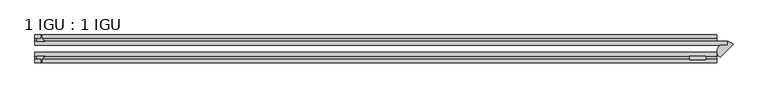
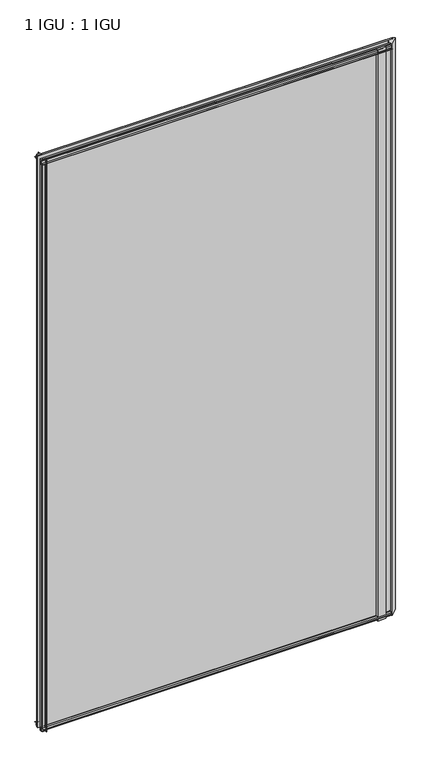
"""IFC4 building model written with IfcOpenShell, lengths in millimetres: plate geometry, 1 IGU : 1 IGU."""

from ifc_helpers import new_model, si_unit, point, frame, frame_2d, origin, place, context, project, spatial, polyline, circle_curve, ellipse_curve, trimmed, segment, composite_curve, outline, extrude, source, transform, mapped, element, save
from ifc_brep_helpers import plane_surface, cylinder_surface, extruded_surface, advanced_brep


def plate_1_igu_1_igu_b81b0c43(model_context):
    return source(origin(), model_context, "Body", "SolidModel", [
        advanced_brep(
        [(579.8824592, -16.9303084, -11.1125), (589.2972654, -21.8097637, -11.1125), (566.6778855, -44.7138124, -11.1125), (569.7893567, -23.2259187, -11.1125), (579.8824592, -23.2259187, -11.1125), (579.8824592, -16.9303084, 2033.5875), (579.8824592, -23.2259187, 2033.5875), (569.7893567, -23.2259187, 2033.5875), (566.6778855, -44.7138124, 2033.5875), (589.2972654, -21.8097637, 2033.5875)],
        [
            (0, 1, circle_curve(frame((576.740809, -34.514619, -11.1125), z_axis=(0.0, 0.0, -1.0), x_axis=(1.0, 0.0, 0.0)), 17.862753)),
            (1, 2),
            (2, 3, ellipse_curve(frame((574.7427723, -36.3683018, -11.1125), z_axis=(0.0, 0.0, -1.0), x_axis=(0.7071067811865438, -0.7071067811865512, 0.0)), 14.7649923, 11.6049513)),
            (3, 4),
            (4, 0),
            (5, 6),
            (6, 7),
            (7, 8, ellipse_curve(frame((574.7427723, -36.3683018, 2033.5875), z_axis=(0.0, 0.0, 1.0), x_axis=(0.7071067811865438, -0.7071067811865512, 0.0)), 14.7649923, 11.6049513)),
            (8, 9),
            (9, 5, circle_curve(frame((576.740809, -34.514619, 2033.5875), z_axis=(0.0, 0.0, 1.0), x_axis=(1.0, 0.0, 0.0)), 17.862753)),
            (0, 5),
            (9, 1),
            (2, 8),
            (7, 3),
            (6, 4),
        ],
        [
            plane_surface(frame((579.8824592, -9.6242188, -11.1125), z_axis=(0.0, 0.0, -1.0), x_axis=(0.0, 1.0, 0.0))),
            plane_surface(frame((579.8824592, -9.6242188, 2033.5875), z_axis=(0.0, 0.0, 1.0), x_axis=(0.0, 1.0, 0.0))),
            cylinder_surface(frame((576.740809, -34.514619, -11.1125), z_axis=(0.0, 0.0, -1.0), x_axis=(1.0, 0.0, 0.0)), 17.862753),
            extruded_surface(trimmed(ellipse_curve(frame((574.7427723, -36.3683018, 2033.5875), z_axis=(0.0, 0.0, -1.0), x_axis=(0.7071067811865438, -0.7071067811865512, 0.0)), 14.7649923, 11.6049513), [point((566.6778855, -44.7138124, 2033.5875))], [point((569.7893567, -23.2259187, 2033.5875))], True, "CARTESIAN"), (0.0, 0.0, -2044.7), 2044.7),
            plane_surface(frame((569.7893567, -23.2259187, -11.1125), z_axis=(0.0, 1.0, 0.0), x_axis=(0.0, 0.0, 1.0))),
            plane_surface(frame((579.8824592, -23.2259187, -11.1125), z_axis=(-1.0, 0.0, 0.0), x_axis=(0.0, 0.0, 1.0))),
            plane_surface(frame((589.2972654, -21.8097637, -11.1125), z_axis=(0.7115145750967923, -0.7026713381267456, 0.0), x_axis=(0.0, 0.0, 1.0))),
        ],
        [
            (0, [[1, 2, 3, 4, 5]]),
            (1, [[6, 7, 8, 9, 10]]),
            (2, [[-1, 11, -10, 12]]),
            (3, [[-3, 13, -8, 14]]),
            (4, [[-4, -14, -7, 15]]),
            (5, [[-5, -15, -6, -11]]),
            (6, [[-2, -12, -9, -13]]),
        ],
    ),
        extrude(outline(composite_curve([segment(polyline([(-42.3267187, -8.2068385), (-47.0892187, -8.2068385), (-47.0892187, 0.0), (-53.563779, 0.0)]), True, "CONTINUOUS"), segment(trimmed(circle_curve(frame_2d((-53.0328134, 0.3482823)), 0.635), [point((-53.563779, 0.0))], [point((-53.0575397, 0.9828007))], False, "CARTESIAN"), True, "CONTINUOUS"), segment(trimmed(circle_curve(frame_2d((-54.2310045, 31.0958559)), 30.1359106), [point((-53.0575397, 0.9828007))], [point((-47.0834032, 1.8198434))], True, "CARTESIAN"), True, "CONTINUOUS"), segment(trimmed(circle_curve(frame_2d((-48.2159797, 6.4587878)), 4.7752), [point((-47.0834032, 1.8198434))], [point((-43.578416, 5.3205707))], True, "CARTESIAN"), True, "CONTINUOUS"), segment(trimmed(circle_curve(frame_2d((-42.9617187, 5.169212)), 0.635), [point((-43.578416, 5.3205707))], [point((-42.3267187, 5.169212))], False, "CARTESIAN"), True, "CONTINUOUS"), segment(polyline([(-42.3267187, 5.169212), (-42.3267187, -8.2068385)]), True, "CONTINUOUS")], self_intersect=False)), frame((-622.3480842, 0.0, 0.0), z_axis=(1.0, 0.0, 0.0), x_axis=(0.0, 1.0, 0.0)), (0.0, 0.0, 1.0), 1183.1805435),
        extrude(outline(composite_curve([segment(polyline([(-16.9267187, -8.2068385), (-16.9267187, 5.169212)]), True, "CONTINUOUS"), segment(trimmed(circle_curve(frame_2d((-16.2917187, 5.169212)), 0.635), [point((-16.9267187, 5.169212))], [point((-15.6750215, 5.3205707))], False, "CARTESIAN"), True, "CONTINUOUS"), segment(trimmed(circle_curve(frame_2d((-11.0374578, 6.4587878)), 4.7752), [point((-15.6750215, 5.3205707))], [point((-12.1700343, 1.8198434))], True, "CARTESIAN"), True, "CONTINUOUS"), segment(trimmed(circle_curve(frame_2d((-5.022433, 31.0958559)), 30.1359106), [point((-12.1700343, 1.8198434))], [point((-6.1958978, 0.9828007))], True, "CARTESIAN"), True, "CONTINUOUS"), segment(trimmed(circle_curve(frame_2d((-6.2206241, 0.3482823)), 0.635), [point((-6.1958978, 0.9828007))], [point((-5.6896585, 0.0))], False, "CARTESIAN"), True, "CONTINUOUS"), segment(polyline([(-5.6896585, 0.0), (-12.1642187, 0.0), (-12.1642187, -8.2068385), (-16.9267187, -8.2068385)]), True, "CONTINUOUS")], self_intersect=False)), frame((-622.3480842, 0.0, 0.0), z_axis=(1.0, 0.0, 0.0), x_axis=(0.0, 1.0, 0.0)), (0.0, 0.0, 1.0), 1183.1805435),
        extrude(outline(composite_curve([segment(polyline([(-47.0892187, 2022.475), (-47.0892187, 2030.6818385), (-42.3267188, 2030.6818385), (-42.3267188, 2017.305788)]), True, "CONTINUOUS"), segment(trimmed(circle_curve(frame_2d((-42.9617187, 2017.305788)), 0.635), [point((-42.3267188, 2017.305788))], [point((-43.578416, 2017.1544293))], False, "CARTESIAN"), True, "CONTINUOUS"), segment(trimmed(circle_curve(frame_2d((-48.2159797, 2016.0162122)), 4.7752), [point((-43.578416, 2017.1544293))], [point((-47.0834032, 2020.6551566))], True, "CARTESIAN"), True, "CONTINUOUS"), segment(trimmed(circle_curve(frame_2d((-54.2310045, 1991.3791441)), 30.1359106), [point((-47.0834032, 2020.6551566))], [point((-53.0575397, 2021.4921993))], True, "CARTESIAN"), True, "CONTINUOUS"), segment(trimmed(circle_curve(frame_2d((-53.0328134, 2022.1267177)), 0.635), [point((-53.0575397, 2021.4921993))], [point((-53.563779, 2022.475))], False, "CARTESIAN"), True, "CONTINUOUS"), segment(polyline([(-53.563779, 2022.475), (-47.0892187, 2022.475)]), True, "CONTINUOUS")], self_intersect=False)), frame((-622.3480842, 0.0, 0.0), z_axis=(1.0, 0.0, 0.0), x_axis=(0.0, 1.0, 0.0)), (0.0, 0.0, 1.0), 1183.1805435),
        extrude(outline(composite_curve([segment(polyline([(-12.1642187, 2022.475), (-5.6896585, 2022.475)]), True, "CONTINUOUS"), segment(trimmed(circle_curve(frame_2d((-6.2206241, 2022.1267177)), 0.635), [point((-5.6896585, 2022.475))], [point((-6.1958978, 2021.4921993))], False, "CARTESIAN"), True, "CONTINUOUS"), segment(trimmed(circle_curve(frame_2d((-5.022433, 1991.3791441)), 30.1359106), [point((-6.1958978, 2021.4921993))], [point((-12.1700343, 2020.6551566))], True, "CARTESIAN"), True, "CONTINUOUS"), segment(trimmed(circle_curve(frame_2d((-11.0374578, 2016.0162122)), 4.7752), [point((-12.1700343, 2020.6551566))], [point((-15.6750215, 2017.1544293))], True, "CARTESIAN"), True, "CONTINUOUS"), segment(trimmed(circle_curve(frame_2d((-16.2917187, 2017.305788)), 0.635), [point((-15.6750215, 2017.1544293))], [point((-16.9267187, 2017.305788))], False, "CARTESIAN"), True, "CONTINUOUS"), segment(polyline([(-16.9267187, 2017.305788), (-16.9267187, 2030.6818385), (-12.1642187, 2030.6818385), (-12.1642187, 2022.475)]), True, "CONTINUOUS")], self_intersect=False)), frame((-622.3480842, 0.0, 0.0), z_axis=(1.0, 0.0, 0.0), x_axis=(0.0, 1.0, 0.0)), (0.0, 0.0, 1.0), 1183.1805435),
        extrude(outline(composite_curve([segment(polyline([(541.7824592, -42.3267187), (541.7824592, -48.6767187), (514.3938773, -48.6767187)]), True, "CONTINUOUS"), segment(trimmed(circle_curve(frame_2d((502.6356829, -48.2428298)), 11.7661971), [point((514.3938773, -48.6767187))], [point((512.8063773, -42.3267187))], True, "CARTESIAN"), True, "CONTINUOUS"), segment(polyline([(512.8063773, -42.3267187), (541.7824592, -42.3267187)]), True, "CONTINUOUS")], self_intersect=False)), frame((0.0, 0.0, -11.1125), z_axis=(0.0, 0.0, 1.0), x_axis=(1.0, 0.0, 0.0)), (0.0, 0.0, 1.0), 2044.7),
        extrude(outline(composite_curve([segment(trimmed(circle_curve(frame_2d((-610.8873019, -6.2206241)), 0.635), [point((-611.2355842, -5.6896585))], [point((-610.2527835, -6.1958978))], False, "CARTESIAN"), True, "CONTINUOUS"), segment(trimmed(circle_curve(frame_2d((-580.1397284, -5.022433)), 30.1359106), [point((-610.2527835, -6.1958978))], [point((-609.4157408, -12.1700343))], True, "CARTESIAN"), True, "CONTINUOUS"), segment(trimmed(circle_curve(frame_2d((-604.7767964, -11.0374578)), 4.7752), [point((-609.4157408, -12.1700343))], [point((-605.9150136, -15.6750215))], True, "CARTESIAN"), True, "CONTINUOUS"), segment(trimmed(circle_curve(frame_2d((-606.0663722, -16.2917187)), 0.635), [point((-605.9150136, -15.6750215))], [point((-606.0663722, -16.9267187))], False, "CARTESIAN"), True, "CONTINUOUS"), segment(polyline([(-606.0663722, -16.9267187), (-619.4424227, -16.9267187), (-619.4424227, -12.1642187), (-611.2355842, -12.1642187), (-611.2355842, -5.6896585)]), True, "CONTINUOUS")], self_intersect=False)), frame((0.0, 0.0, -11.1125), z_axis=(0.0, 0.0, 1.0), x_axis=(1.0, 0.0, 0.0)), (0.0, 0.0, 1.0), 2044.7),
        extrude(outline(composite_curve([segment(polyline([(-611.2355842, -53.563779), (-611.2355842, -47.0892187), (-619.4424227, -47.0892187), (-619.4424227, -42.3267188), (-606.0663722, -42.3267188)]), True, "CONTINUOUS"), segment(trimmed(circle_curve(frame_2d((-606.0663722, -42.9617187)), 0.635), [point((-606.0663722, -42.3267188))], [point((-605.9150136, -43.578416))], False, "CARTESIAN"), True, "CONTINUOUS"), segment(trimmed(circle_curve(frame_2d((-604.7767964, -48.2159797)), 4.7752), [point((-605.9150136, -43.578416))], [point((-609.4157408, -47.0834032))], True, "CARTESIAN"), True, "CONTINUOUS"), segment(trimmed(circle_curve(frame_2d((-580.1397284, -54.2310045)), 30.1359106), [point((-609.4157408, -47.0834032))], [point((-610.2527835, -53.0575397))], True, "CARTESIAN"), True, "CONTINUOUS"), segment(trimmed(circle_curve(frame_2d((-610.8873019, -53.0328134)), 0.635), [point((-610.2527835, -53.0575397))], [point((-611.2355842, -53.563779))], False, "CARTESIAN"), True, "CONTINUOUS")], self_intersect=False)), frame((0.0, 0.0, -11.1125), z_axis=(0.0, 0.0, 1.0), x_axis=(1.0, 0.0, 0.0)), (0.0, 0.0, 1.0), 2044.7),
        extrude(outline(polyline([(579.8824592, -16.9267187), (579.8824592, -23.2259187), (-622.3480842, -23.2259187), (-622.3480842, -16.9267187), (579.8824592, -16.9267187)])), frame((0.0, 0.0, -11.1125), z_axis=(0.0, 0.0, 1.0), x_axis=(1.0, 0.0, 0.0)), (0.0, 0.0, 1.0), 2044.7),
        extrude(outline(polyline([(560.8324592, -36.0275187), (560.8324592, -42.3267187), (-622.3480842, -42.3267187), (-622.3480842, -36.0275187), (560.8324592, -36.0275187)])), frame((0.0, 0.0, -11.1125), z_axis=(0.0, 0.0, 1.0), x_axis=(1.0, 0.0, 0.0)), (0.0, 0.0, 1.0), 2044.7),
    ])


if __name__ == "__main__":
    model = new_model("IFC4")
    model_context = context("Model", 3, world=origin())
    ifc_project = project(units=[si_unit("LENGTHUNIT", "METRE", prefix="MILLI")], contexts=[model_context])
    site = spatial("IfcSite", under=ifc_project)
    building = spatial("IfcBuilding", under=site)
    placement = place(None, origin())
    plate_1_igu_1_igu_shape = plate_1_igu_1_igu_b81b0c43(model_context)
    element("IfcPlate", 1, ObjectType="1 IGU : 1 IGU", at=placement, inside=building, context=model_context, shape_type="MappedRepresentation", body=[
        mapped(plate_1_igu_1_igu_shape, transform((0.0, 0.0, 0.0), x_axis=(1.0, 0.0, 0.0), y_axis=(0.0, 1.0, 0.0), z_axis=(0.0, 0.0, 1.0))),
    ])
    save(model, "model.ifc")
